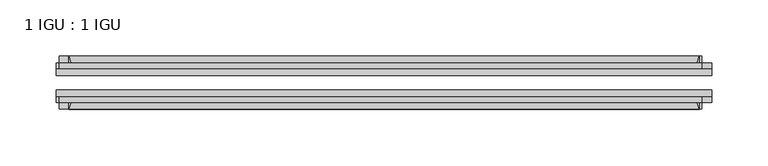
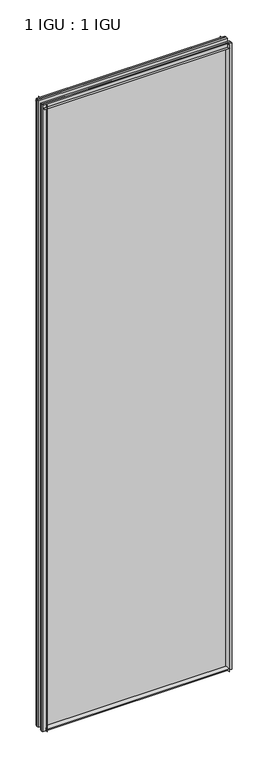
"""IFC4 building model written with IfcOpenShell, lengths in millimetres: plate geometry, 1 IGU : 1 IGU."""

import ifcopenshell
import ifcopenshell.guid

model = None  # the IFC model being written
_history = None  # IfcOwnerHistory: only IFC2X3 demands one
_inside = {}  # id of a spatial element -> (the spatial element, [elements in it])
_under = {}  # id of a project, library or spatial element -> (it, [spatial elements below it])
_declared = {}  # id of a project -> (the project, [libraries it declares])
_typed = {}  # id of a type object -> (the type object, [elements of that type])
_made_of = {}  # id of a material, layer set ... -> (it, [elements and type objects made of it])


def new_model(schema):
    """Start an empty IFC model of exactly this schema.

    Asked for "IFC4X3", IfcOpenShell would pick the latest addendum, in which some entities
    have other attributes; the version numbers below select the first issue.
    IFC2X3 requires an IfcOwnerHistory on every rooted entity: one is made here for all.
    """
    global model, _history
    if schema == "IFC4X3":
        model = ifcopenshell.file(schema_version=(4, 3, 0, 0))
    else:
        model = ifcopenshell.file(schema=schema)
    _inside.clear()
    _under.clear()
    _declared.clear()
    _typed.clear()
    _made_of.clear()
    _history = None
    if model.schema == "IFC2X3":
        org = make("IfcOrganization", Name="unknown")
        user = make(
            "IfcPersonAndOrganization",
            ThePerson=make("IfcPerson", FamilyName="unknown"),
            TheOrganization=org,
        )
        app = make(
            "IfcApplication",
            ApplicationDeveloper=org,
            Version="unknown",
            ApplicationFullName="unknown",
            ApplicationIdentifier="unknown",
        )
        _history = make(
            "IfcOwnerHistory",
            OwningUser=user,
            OwningApplication=app,
            ChangeAction="ADDED",
            CreationDate=0,
        )
    return model


def make(cls, **values):
    """One entity of the class cls with the attributes given. An attribute that is None is left unset."""
    return model.create_entity(
        cls, **{name: value for name, value in values.items() if value is not None}
    )


def rooted(cls, **values):
    """An entity with a GlobalId (a new one), such as an element, a storey or a relation."""
    return make(cls, GlobalId=ifcopenshell.guid.new(), OwnerHistory=_history, **values)


def si_unit(unit_type, name, prefix=None):
    """IfcSIUnit, for example si_unit("LENGTHUNIT", "METRE", prefix="MILLI")."""
    return make("IfcSIUnit", UnitType=unit_type, Prefix=prefix, Name=name)


def assignment(units):
    """IfcUnitAssignment: the units of a project."""
    return None if units is None else make("IfcUnitAssignment", Units=units)


def point(xyz):
    """IfcCartesianPoint."""
    return None if xyz is None else make("IfcCartesianPoint", Coordinates=xyz)


def direction(xyz):
    """IfcDirection."""
    return None if xyz is None else make("IfcDirection", DirectionRatios=xyz)


def frame(location, z_axis=None, x_axis=None):
    """IfcAxis2Placement3D, a coordinate frame: its origin and axes. An axis left out is left unset."""
    return make(
        "IfcAxis2Placement3D",
        Location=point(location),
        Axis=direction(z_axis),
        RefDirection=direction(x_axis),
    )


def frame_2d(location, x_axis=None):
    """IfcAxis2Placement2D, a coordinate frame in the plane: its origin and x axis."""
    return make(
        "IfcAxis2Placement2D", Location=point(location), RefDirection=direction(x_axis)
    )


def origin():
    """The frame at (0, 0, 0) with its axes left unset."""
    return frame((0.0, 0.0, 0.0))


def place(relative_to, where):
    """IfcLocalPlacement: puts the frame where relative to a parent placement (None: the world)."""
    return make(
        "IfcLocalPlacement", PlacementRelTo=relative_to, RelativePlacement=where
    )


def context(
    kind, dimensions, precision=None, world=None, true_north=None, identifier=None
):
    """IfcGeometricRepresentationContext, for example the 3D "Model" context."""
    return make(
        "IfcGeometricRepresentationContext",
        ContextIdentifier=identifier,
        ContextType=kind,
        CoordinateSpaceDimension=dimensions,
        Precision=precision,
        WorldCoordinateSystem=world,
        TrueNorth=true_north,
    )


def project(units=None, contexts=None):
    """IfcProject with its units and contexts."""
    return rooted(
        "IfcProject",
        Name="project",
        RepresentationContexts=contexts,
        UnitsInContext=assignment(units),
    )


def spatial(cls, under=None, at=None, **own):
    """A site, building, storey or space (cls), placed at a placement, below another one or the project."""
    s = rooted(cls, ObjectPlacement=at, **own)
    if under is not None:
        _under.setdefault(under.id(), (under, []))[1].append(s)
    return s


def polyline(points):
    """IfcPolyline through the points."""
    return make("IfcPolyline", Points=[point(p) for p in points])


def circle_curve(where, radius):
    """IfcCircle in the frame where."""
    return make("IfcCircle", Position=where, Radius=radius)


def trimmed(basis, trim1, trim2, sense, master):
    """IfcTrimmedCurve: the piece of a basis curve between two trims."""
    return make(
        "IfcTrimmedCurve",
        BasisCurve=basis,
        Trim1=trim1,
        Trim2=trim2,
        SenseAgreement=sense,
        MasterRepresentation=master,
    )


def segment(curve, same_sense, transition):
    """IfcCompositeCurveSegment."""
    return make(
        "IfcCompositeCurveSegment",
        Transition=transition,
        SameSense=same_sense,
        ParentCurve=curve,
    )


def composite_curve(segments, self_intersect=None):
    """IfcCompositeCurve: segments joined end to end."""
    return make("IfcCompositeCurve", Segments=segments, SelfIntersect=self_intersect)


def outline(outer, holes=None, kind="AREA"):
    """IfcArbitraryClosedProfileDef: a profile drawn as a closed curve; with holes, ...WithVoids."""
    if holes is None:
        return make("IfcArbitraryClosedProfileDef", ProfileType=kind, OuterCurve=outer)
    return make(
        "IfcArbitraryProfileDefWithVoids",
        ProfileType=kind,
        OuterCurve=outer,
        InnerCurves=holes,
    )


def extrude(swept, where, along, depth):
    """IfcExtrudedAreaSolid: the profile swept, set in the frame where, extruded along a direction by depth."""
    return make(
        "IfcExtrudedAreaSolid",
        SweptArea=swept,
        Position=where,
        ExtrudedDirection=direction(along),
        Depth=depth,
    )


def shape(context_of_items, identifier, shape_type, items):
    """IfcShapeRepresentation: the items that make up one representation, for example the "Body"."""
    return make(
        "IfcShapeRepresentation",
        ContextOfItems=context_of_items,
        RepresentationIdentifier=identifier,
        RepresentationType=shape_type,
        Items=items,
    )


def source(mapping_origin, context_of_items, identifier, shape_type, items):
    """IfcRepresentationMap: a shape defined once, which mapped items show again and again."""
    return make(
        "IfcRepresentationMap",
        MappingOrigin=mapping_origin,
        MappedRepresentation=shape(context_of_items, identifier, shape_type, items),
    )


def transform(
    local_origin,
    x_axis=None,
    y_axis=None,
    z_axis=None,
    scale=None,
    scale2=None,
    scale3=None,
    uniform=True,
):
    """IfcCartesianTransformationOperator3D, or its non-uniform kind. x_axis, y_axis, z_axis: its Axis1, 2, 3."""
    if uniform:
        return make(
            "IfcCartesianTransformationOperator3D",
            Axis1=direction(x_axis),
            Axis2=direction(y_axis),
            LocalOrigin=point(local_origin),
            Scale=scale,
            Axis3=direction(z_axis),
        )
    return make(
        "IfcCartesianTransformationOperator3DnonUniform",
        Axis1=direction(x_axis),
        Axis2=direction(y_axis),
        LocalOrigin=point(local_origin),
        Scale=scale,
        Axis3=direction(z_axis),
        Scale2=scale2,
        Scale3=scale3,
    )


def mapped(mapping_source, mapping_target):
    """IfcMappedItem: shows the shape of a source again, moved by a transform."""
    return make(
        "IfcMappedItem", MappingSource=mapping_source, MappingTarget=mapping_target
    )


def made_of(thing, what):
    """Note that an element or type object is made of a material, layer set ...; save() writes the relation."""
    if what is not None:
        _made_of.setdefault(what.id(), (what, []))[1].append(thing)
    return thing


def element(
    cls,
    number,
    at=None,
    inside=None,
    cuts=None,
    type_object=None,
    material=None,
    context=None,
    identifier="Body",
    shape_type=None,
    held_by="IfcProductDefinitionShape",
    body=None,
    shapes=None,
    **own,
):
    """One element of the class cls, such as IfcWall. Its Tag is "e" and its number.

    at: its placement. inside: the storey or other place that contains it. cuts: it is an
    opening in that element (IfcRelVoidsElement). A single representation is given by context,
    identifier, shape_type and body (its items); several are given by shapes. held_by: the class
    of the entity that holds the representations. save() writes the other relations.
    """
    e = rooted(cls, Tag="e%d" % number, ObjectPlacement=at, **own)
    if body is not None:
        shapes = [shape(context, identifier, shape_type, body)]
    if shapes is not None:
        e.Representation = make(held_by, Representations=shapes)
    if inside is not None:
        _inside.setdefault(inside.id(), (inside, []))[1].append(e)
    if cuts is not None:
        rooted(
            "IfcRelVoidsElement", RelatingBuildingElement=cuts, RelatedOpeningElement=e
        )
    if type_object is not None:
        _typed.setdefault(type_object.id(), (type_object, []))[1].append(e)
    return made_of(e, material)


def aggregate(whole, parts):
    """IfcRelAggregates: a whole, such as a stair, and the parts it consists of."""
    return rooted("IfcRelAggregates", RelatingObject=whole, RelatedObjects=parts)


def save(model, path):
    """Write the relations noted so far, then the file.

    IfcRelAggregates (storeys below a building ...), IfcRelContainedInSpatialStructure (elements
    in a storey), IfcRelDefinesByType, IfcRelAssociatesMaterial and IfcRelDeclares: one each for
    every whole, place, type object, material and project.
    """
    for whole, parts in _under.values():
        aggregate(whole, parts)
    for where, things in _inside.values():
        rooted(
            "IfcRelContainedInSpatialStructure",
            RelatedElements=things,
            RelatingStructure=where,
        )
    for kind, things in _typed.values():
        rooted("IfcRelDefinesByType", RelatedObjects=things, RelatingType=kind)
    for what, things in _made_of.values():
        rooted("IfcRelAssociatesMaterial", RelatedObjects=things, RelatingMaterial=what)
    for by, libraries in _declared.values():
        rooted("IfcRelDeclares", RelatingContext=by, RelatedDefinitions=libraries)
    model.write(path)


def plate_1_igu_1_igu_957ab329(model_context):
    return source(origin(), model_context, "Body", "SweptSolid", [
        extrude(outline(composite_curve([segment(polyline([(-74.6252, -8.73125), (-74.6252, -0.0097454), (-80.6504332, -0.0097454)]), True, "CONTINUOUS"), segment(trimmed(circle_curve(frame_2d((-86.2258203, 32.2797688)), 32.7673262), [point((-80.6504332, -0.0097454))], [point((-69.85, 3.8979053))], True, "CARTESIAN"), True, "CONTINUOUS"), segment(polyline([(-69.85, 3.8979053), (-69.85, -8.73125), (-74.6252, -8.73125)]), True, "CONTINUOUS")], self_intersect=False)), frame((-279.4, 0.0, 0.0), z_axis=(1.0, 0.0, 0.0), x_axis=(0.0, 1.0, 0.0)), (0.0, 0.0, 1.0), 558.8),
        extrude(outline(composite_curve([segment(polyline([(-39.6748, -8.73125), (-44.45, -8.73125), (-44.45, 3.8979053)]), True, "CONTINUOUS"), segment(trimmed(circle_curve(frame_2d((-28.0741797, 32.2797688)), 32.7673262), [point((-44.45, 3.8979053))], [point((-33.6495668, -0.0097454))], True, "CARTESIAN"), True, "CONTINUOUS"), segment(polyline([(-33.6495668, -0.0097454), (-39.6748, -0.0097454), (-39.6748, -8.73125)]), True, "CONTINUOUS")], self_intersect=False)), frame((-279.4, 0.0, 0.0), z_axis=(1.0, 0.0, 0.0), x_axis=(0.0, 1.0, 0.0)), (0.0, 0.0, 1.0), 558.8),
        extrude(outline(composite_curve([segment(polyline([(-80.5942, 2012.1562438), (-74.6252, 2012.1562438), (-74.6252, 2023.2687438), (-69.85, 2023.2687438), (-69.85, 2008.2583533)]), True, "CONTINUOUS"), segment(trimmed(circle_curve(frame_2d((-86.2258203, 1979.8764898)), 32.7673262), [point((-69.85, 2008.2583533))], [point((-80.5942, 2012.1562438))], True, "CARTESIAN"), True, "CONTINUOUS")], self_intersect=False)), frame((-287.9127386, 0.0, 0.0), z_axis=(1.0, 0.0, 0.0), x_axis=(0.0, 1.0, 0.0)), (0.0, 0.0, 1.0), 569.8587001),
        extrude(outline(composite_curve([segment(polyline([(-39.6748, 2023.2687438), (-39.6748, 2012.1562438), (-33.7058, 2012.1562438)]), True, "CONTINUOUS"), segment(trimmed(circle_curve(frame_2d((-28.0741797, 1979.8764898)), 32.7673262), [point((-33.7058, 2012.1562438))], [point((-44.45, 2008.2583533))], True, "CARTESIAN"), True, "CONTINUOUS"), segment(polyline([(-44.45, 2008.2583533), (-44.45, 2023.2687438), (-39.6748, 2023.2687438)]), True, "CONTINUOUS")], self_intersect=False)), frame((-287.9127386, 0.0, 0.0), z_axis=(1.0, 0.0, 0.0), x_axis=(0.0, 1.0, 0.0)), (0.0, 0.0, 1.0), 569.8587001),
        extrude(outline(composite_curve([segment(polyline([(290.5125, -39.6748), (290.5125, -44.45), (275.5021095, -44.45)]), True, "CONTINUOUS"), segment(trimmed(circle_curve(frame_2d((247.120246, -28.0741797)), 32.7673262), [point((275.5021095, -44.45))], [point((279.4, -33.7058))], True, "CARTESIAN"), True, "CONTINUOUS"), segment(polyline([(279.4, -33.7058), (279.4, -39.6748), (290.5125, -39.6748)]), True, "CONTINUOUS")], self_intersect=False)), frame((0.0, 0.0, -8.73125), z_axis=(0.0, 0.0, 1.0), x_axis=(1.0, 0.0, 0.0)), (0.0, 0.0, 1.0), 2031.9999938),
        extrude(outline(composite_curve([segment(polyline([(290.5125, -69.85), (290.5125, -74.6252), (279.4, -74.6252), (279.4, -80.5942)]), True, "CONTINUOUS"), segment(trimmed(circle_curve(frame_2d((247.120246, -86.2258203)), 32.7673262), [point((279.4, -80.5942))], [point((275.5021095, -69.85))], True, "CARTESIAN"), True, "CONTINUOUS"), segment(polyline([(275.5021095, -69.85), (290.5125, -69.85)]), True, "CONTINUOUS")], self_intersect=False)), frame((0.0, 0.0, -8.73125), z_axis=(0.0, 0.0, 1.0), x_axis=(1.0, 0.0, 0.0)), (0.0, 0.0, 1.0), 2031.9999938),
        extrude(outline(composite_curve([segment(polyline([(-290.5125, -39.6748), (-279.4, -39.6748), (-279.4, -33.7058)]), True, "CONTINUOUS"), segment(trimmed(circle_curve(frame_2d((-247.120246, -28.0741797)), 32.7673262), [point((-279.4, -33.7058))], [point((-275.5021095, -44.45))], True, "CARTESIAN"), True, "CONTINUOUS"), segment(polyline([(-275.5021095, -44.45), (-290.5125, -44.45), (-290.5125, -39.6748)]), True, "CONTINUOUS")], self_intersect=False)), frame((0.0, 0.0, -8.73125), z_axis=(0.0, 0.0, 1.0), x_axis=(1.0, 0.0, 0.0)), (0.0, 0.0, 1.0), 2031.9999938),
        extrude(outline(composite_curve([segment(polyline([(-290.5125, -74.6252), (-290.5125, -69.85), (-275.5021095, -69.85)]), True, "CONTINUOUS"), segment(trimmed(circle_curve(frame_2d((-247.120246, -86.2258203)), 32.7673262), [point((-275.5021095, -69.85))], [point((-279.4, -80.5942))], True, "CARTESIAN"), True, "CONTINUOUS"), segment(polyline([(-279.4, -80.5942), (-279.4, -74.6252), (-290.5125, -74.6252)]), True, "CONTINUOUS")], self_intersect=False)), frame((0.0, 0.0, -8.73125), z_axis=(0.0, 0.0, 1.0), x_axis=(1.0, 0.0, 0.0)), (0.0, 0.0, 1.0), 2031.9999938),
        extrude(outline(polyline([(-290.5125, -69.85), (-290.5125, -63.5508), (290.5125, -63.5508), (290.5125, -69.85), (-290.5125, -69.85)])), frame((0.0, 0.0, -8.73125), z_axis=(0.0, 0.0, 1.0), x_axis=(1.0, 0.0, 0.0)), (0.0, 0.0, 1.0), 2031.9999938),
        extrude(outline(polyline([(290.5125, -50.7492), (-290.5125, -50.7492), (-290.5125, -44.45), (290.5125, -44.45), (290.5125, -50.7492)])), frame((0.0, 0.0, -8.73125), z_axis=(0.0, 0.0, 1.0), x_axis=(1.0, 0.0, 0.0)), (0.0, 0.0, 1.0), 2031.9999938),
    ])


if __name__ == "__main__":
    model = new_model("IFC4")
    model_context = context("Model", 3, world=origin())
    ifc_project = project(units=[si_unit("LENGTHUNIT", "METRE", prefix="MILLI")], contexts=[model_context])
    site = spatial("IfcSite", under=ifc_project)
    building = spatial("IfcBuilding", under=site)
    placement = place(None, origin())
    plate_1_igu_1_igu_shape = plate_1_igu_1_igu_957ab329(model_context)
    element("IfcPlate", 1, ObjectType="1 IGU : 1 IGU", at=placement, inside=building, context=model_context, shape_type="MappedRepresentation", body=[
        mapped(plate_1_igu_1_igu_shape, transform((0.0, 0.0, 0.0), x_axis=(1.0, 0.0, 0.0), y_axis=(0.0, 1.0, 0.0), z_axis=(0.0, 0.0, 1.0))),
    ])
    save(model, "model.ifc")
